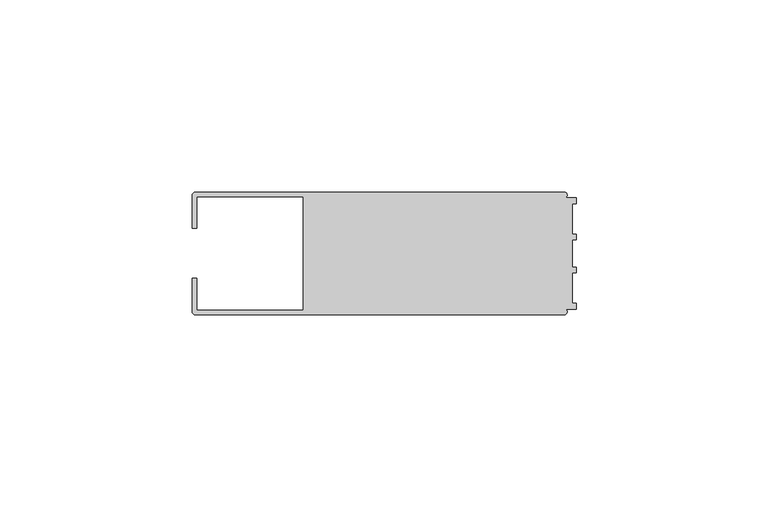
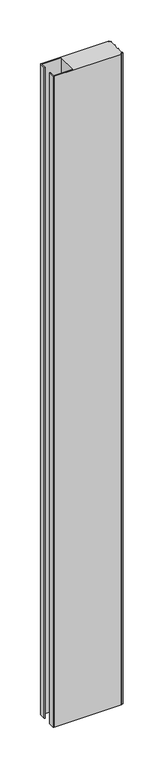
"""IFC4 building model written with IfcOpenShell, lengths in millimetres: member geometry."""

from ifc_helpers import new_model, si_unit, point, frame, frame_2d, origin, place, context, project, spatial, polyline, circle_curve, trimmed, segment, composite_curve, outline, extrude, source, transform, mapped, element, save


def member_19a8a5e6(model_context):
    return source(origin(), model_context, "Body", "SweptSolid", [
        extrude(outline(composite_curve([segment(polyline([(-100.0, 6.5), (-100.0, 14.998921)]), True, "CONTINUOUS"), segment(trimmed(circle_curve(frame_2d((-98.998921, 14.998921)), 1.001079), [point((-100.0, 14.998921))], [point((-98.998921, 16.0))], False, "CARTESIAN"), True, "CONTINUOUS"), segment(polyline([(-98.998921, 16.0), (-3.1385263, 16.0)]), True, "CONTINUOUS"), segment(trimmed(circle_curve(frame_2d((-3.1117577, 15.2001372)), 0.8003107), [point((-3.1385263, 16.0))], [point((-2.7260256, 14.4989182))], False, "CARTESIAN"), True, "CONTINUOUS"), segment(polyline([(-2.7260256, 14.4989182), (0.0, 14.4989182), (0.0, 12.9993664), (-0.999267, 12.9993664), (-0.999267, 5.0000405), (0.0, 5.0000405), (0.0, 3.5386284), (-0.999267, 3.5009282), (-0.999267, -3.5009282), (0.0, -3.5398992), (0.0, -5.0013113), (-0.999267, -5.0013113), (-0.999267, -13.0002136), (0.0, -13.0002136), (0.0, -14.5004469), (-2.7237818, -14.5004469)]), True, "CONTINUOUS"), segment(trimmed(circle_curve(frame_2d((-3.1117213, -15.2000428)), 0.7999572), [point((-2.7237818, -14.5004469))], [point((-3.1117213, -16.0))], False, "CARTESIAN"), True, "CONTINUOUS"), segment(polyline([(-3.1117213, -16.0), (-98.9988146, -16.0)]), True, "CONTINUOUS"), segment(trimmed(circle_curve(frame_2d((-98.9988146, -14.9988146)), 1.0011854), [point((-98.9988146, -16.0))], [point((-100.0, -14.9988146))], False, "CARTESIAN"), True, "CONTINUOUS"), segment(polyline([(-100.0, -14.9988146), (-100.0, -6.5002542), (-98.7495396, -6.5002542), (-98.7495396, -14.7490791), (-71.0, -14.7490791), (-71.0, 14.748825), (-98.7495396, 14.748825), (-98.7495396, 6.5), (-100.0, 6.5)]), True, "CONTINUOUS")], self_intersect=False)), frame((0.0, 0.0, -979.5785713), z_axis=(0.0, 0.0, 1.0), x_axis=(1.0, 0.0, 0.0)), (0.0, 0.0, 1.0), 979.5785713),
    ])


if __name__ == "__main__":
    model = new_model("IFC4")
    model_context = context("Model", 3, world=origin())
    ifc_project = project(units=[si_unit("LENGTHUNIT", "METRE", prefix="MILLI")], contexts=[model_context])
    site = spatial("IfcSite", under=ifc_project)
    building = spatial("IfcBuilding", under=site)
    placement = place(None, origin())
    member_shape = member_19a8a5e6(model_context)
    element("IfcMember", 1, at=placement, inside=building, context=model_context, shape_type="MappedRepresentation", body=[
        mapped(member_shape, transform((0.0, 0.0, 0.0), x_axis=(1.0, 0.0, 0.0), y_axis=(0.0, 1.0, 0.0), z_axis=(0.0, 0.0, 1.0))),
    ])
    save(model, "model.ifc")
